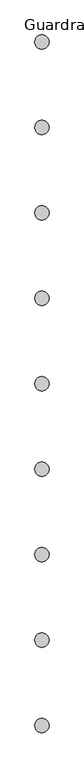
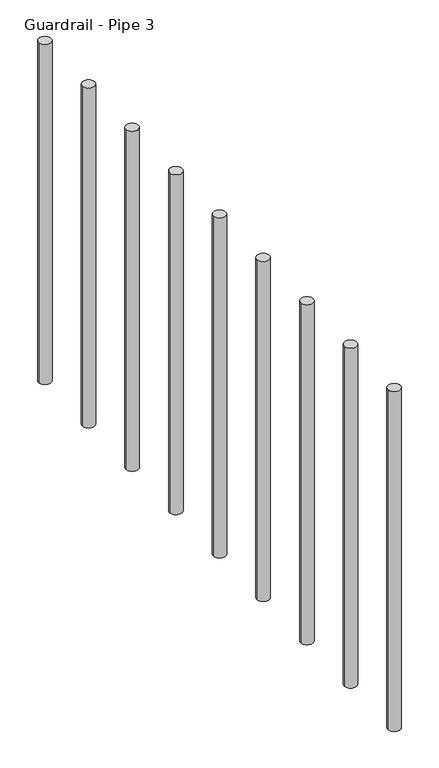
"""IFC4 building model written with IfcOpenShell, lengths in millimetres: railing geometry, Guardrail - Pipe 3."""

from ifc_helpers import new_model, si_unit, point, frame, frame_2d, origin, place, context, project, spatial, circle_curve, trimmed, segment, composite_curve, outline, extrude, source, transform, mapped, element, save


def guardrail_pipe_3_d73c3c5c(model_context):
    return source(origin(), model_context, "Body", "SweptSolid", [
        extrude(outline(composite_curve([segment(trimmed(circle_curve(frame_2d((239010.323562, -558963.1360133)), 12.7), [point((238997.623562, -558963.1360133))], [point((239023.023562, -558963.1360133))], False, "CARTESIAN"), True, "CONTINUOUS"), segment(trimmed(circle_curve(frame_2d((239010.323562, -558963.1360133)), 12.7), [point((239023.023562, -558963.1360133))], [point((238997.623562, -558963.1360133))], False, "CARTESIAN"), True, "CONTINUOUS")], self_intersect=False)), frame((0.0, 0.0, 4267.2), z_axis=(0.0, 0.0, 1.0), x_axis=(1.0, 0.0, 0.0)), (0.0, 0.0, 1.0), 723.9),
        extrude(outline(composite_curve([segment(trimmed(circle_curve(frame_2d((239010.323562, -559115.5360133)), 12.7), [point((238997.623562, -559115.5360133))], [point((239023.023562, -559115.5360133))], False, "CARTESIAN"), True, "CONTINUOUS"), segment(trimmed(circle_curve(frame_2d((239010.323562, -559115.5360133)), 12.7), [point((239023.023562, -559115.5360133))], [point((238997.623562, -559115.5360133))], False, "CARTESIAN"), True, "CONTINUOUS")], self_intersect=False)), frame((0.0, 0.0, 4267.2), z_axis=(0.0, 0.0, 1.0), x_axis=(1.0, 0.0, 0.0)), (0.0, 0.0, 1.0), 723.9),
        extrude(outline(composite_curve([segment(trimmed(circle_curve(frame_2d((239010.323562, -559267.9360133)), 12.7), [point((238997.623562, -559267.9360133))], [point((239023.023562, -559267.9360133))], False, "CARTESIAN"), True, "CONTINUOUS"), segment(trimmed(circle_curve(frame_2d((239010.323562, -559267.9360133)), 12.7), [point((239023.023562, -559267.9360133))], [point((238997.623562, -559267.9360133))], False, "CARTESIAN"), True, "CONTINUOUS")], self_intersect=False)), frame((0.0, 0.0, 4267.2), z_axis=(0.0, 0.0, 1.0), x_axis=(1.0, 0.0, 0.0)), (0.0, 0.0, 1.0), 723.9),
        extrude(outline(composite_curve([segment(trimmed(circle_curve(frame_2d((239010.323562, -559420.3360133)), 12.7), [point((238997.623562, -559420.3360133))], [point((239023.023562, -559420.3360133))], False, "CARTESIAN"), True, "CONTINUOUS"), segment(trimmed(circle_curve(frame_2d((239010.323562, -559420.3360133)), 12.7), [point((239023.023562, -559420.3360133))], [point((238997.623562, -559420.3360133))], False, "CARTESIAN"), True, "CONTINUOUS")], self_intersect=False)), frame((0.0, 0.0, 4267.2), z_axis=(0.0, 0.0, 1.0), x_axis=(1.0, 0.0, 0.0)), (0.0, 0.0, 1.0), 723.9),
        extrude(outline(composite_curve([segment(trimmed(circle_curve(frame_2d((239010.323562, -559572.7360133)), 12.7), [point((238997.623562, -559572.7360133))], [point((239023.023562, -559572.7360133))], False, "CARTESIAN"), True, "CONTINUOUS"), segment(trimmed(circle_curve(frame_2d((239010.323562, -559572.7360133)), 12.7), [point((239023.023562, -559572.7360133))], [point((238997.623562, -559572.7360133))], False, "CARTESIAN"), True, "CONTINUOUS")], self_intersect=False)), frame((0.0, 0.0, 4267.2), z_axis=(0.0, 0.0, 1.0), x_axis=(1.0, 0.0, 0.0)), (0.0, 0.0, 1.0), 723.9),
        extrude(outline(composite_curve([segment(trimmed(circle_curve(frame_2d((239010.323562, -559725.1360133)), 12.7), [point((238997.623562, -559725.1360133))], [point((239023.023562, -559725.1360133))], False, "CARTESIAN"), True, "CONTINUOUS"), segment(trimmed(circle_curve(frame_2d((239010.323562, -559725.1360133)), 12.7), [point((239023.023562, -559725.1360133))], [point((238997.623562, -559725.1360133))], False, "CARTESIAN"), True, "CONTINUOUS")], self_intersect=False)), frame((0.0, 0.0, 4267.2), z_axis=(0.0, 0.0, 1.0), x_axis=(1.0, 0.0, 0.0)), (0.0, 0.0, 1.0), 723.9),
        extrude(outline(composite_curve([segment(trimmed(circle_curve(frame_2d((239010.323562, -559877.5360133)), 12.7), [point((238997.623562, -559877.5360133))], [point((239023.023562, -559877.5360133))], False, "CARTESIAN"), True, "CONTINUOUS"), segment(trimmed(circle_curve(frame_2d((239010.323562, -559877.5360133)), 12.7), [point((239023.023562, -559877.5360133))], [point((238997.623562, -559877.5360133))], False, "CARTESIAN"), True, "CONTINUOUS")], self_intersect=False)), frame((0.0, 0.0, 4267.2), z_axis=(0.0, 0.0, 1.0), x_axis=(1.0, 0.0, 0.0)), (0.0, 0.0, 1.0), 723.9),
        extrude(outline(composite_curve([segment(trimmed(circle_curve(frame_2d((239010.323562, -560029.9360133)), 12.7), [point((238997.623562, -560029.9360133))], [point((239023.023562, -560029.9360133))], False, "CARTESIAN"), True, "CONTINUOUS"), segment(trimmed(circle_curve(frame_2d((239010.323562, -560029.9360133)), 12.7), [point((239023.023562, -560029.9360133))], [point((238997.623562, -560029.9360133))], False, "CARTESIAN"), True, "CONTINUOUS")], self_intersect=False)), frame((0.0, 0.0, 4267.2), z_axis=(0.0, 0.0, 1.0), x_axis=(1.0, 0.0, 0.0)), (0.0, 0.0, 1.0), 723.9),
        extrude(outline(composite_curve([segment(trimmed(circle_curve(frame_2d((239010.323562, -560182.3360133)), 12.7), [point((238997.623562, -560182.3360133))], [point((239023.023562, -560182.3360133))], False, "CARTESIAN"), True, "CONTINUOUS"), segment(trimmed(circle_curve(frame_2d((239010.323562, -560182.3360133)), 12.7), [point((239023.023562, -560182.3360133))], [point((238997.623562, -560182.3360133))], False, "CARTESIAN"), True, "CONTINUOUS")], self_intersect=False)), frame((0.0, 0.0, 4267.2), z_axis=(0.0, 0.0, 1.0), x_axis=(1.0, 0.0, 0.0)), (0.0, 0.0, 1.0), 723.9),
    ])


if __name__ == "__main__":
    model = new_model("IFC4")
    model_context = context("Model", 3, world=origin())
    ifc_project = project(units=[si_unit("LENGTHUNIT", "METRE", prefix="MILLI")], contexts=[model_context])
    site = spatial("IfcSite", under=ifc_project)
    building = spatial("IfcBuilding", under=site)
    placement = place(None, origin())
    guardrail_pipe_3_shape = guardrail_pipe_3_d73c3c5c(model_context)
    element("IfcRailing", 1, ObjectType="Guardrail - Pipe 3", at=placement, inside=building, context=model_context, shape_type="MappedRepresentation", body=[
        mapped(guardrail_pipe_3_shape, transform((0.0, 0.0, 0.0), x_axis=(1.0, 0.0, 0.0), y_axis=(0.0, 1.0, 0.0), z_axis=(0.0, 0.0, 1.0))),
    ])
    save(model, "model.ifc")
